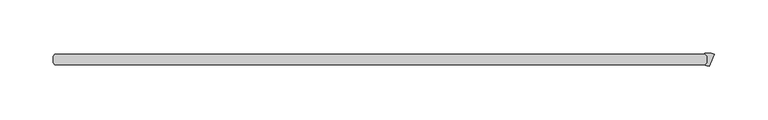
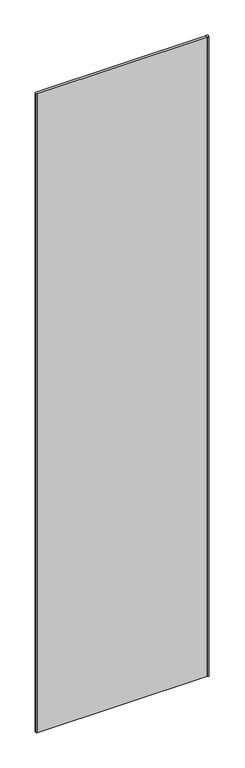
"""IFC4 building model written with IfcOpenShell, lengths in millimetres: plate geometry."""

from ifc_helpers import new_model, si_unit, point, frame_2d, origin, origin_with_axes, place, context, project, spatial, polyline, circle_curve, trimmed, segment, composite_curve, outline, extrude, source, transform, mapped, element, save


def plate_4bbd2fb0(model_context):
    return source(origin(), model_context, "Body", "SweptSolid", [
        extrude(outline(composite_curve([segment(polyline([(306.6725389, -25.1816625), (301.9435056, -36.5985587)]), True, "CONTINUOUS"), segment(trimmed(circle_curve(frame_2d((298.2456736, -43.938415)), 8.2187257), [point((301.9435056, -36.5985587))], [point((298.4129947, -35.7213927))], True, "CARTESIAN"), True, "CONTINUOUS"), segment(trimmed(circle_curve(frame_2d((298.4210745, -35.3246)), 0.396875), [point((298.4129947, -35.7213927))], [point((298.1404415, -35.0439669))], False, "CARTESIAN"), True, "CONTINUOUS"), segment(polyline([(298.1404415, -35.0439669), (299.8469084, -33.3375), (299.8469084, -26.9875), (297.7677007, -24.9082923)]), True, "CONTINUOUS"), segment(trimmed(circle_curve(frame_2d((298.0483337, -24.6276593)), 0.396875), [point((297.7677007, -24.9082923))], [point((297.9925665, -24.2347219))], False, "CARTESIAN"), True, "CONTINUOUS"), segment(trimmed(circle_curve(frame_2d((300.4755618, -41.7299885)), 17.6705863), [point((297.9925665, -24.2347219))], [point((306.6725389, -25.1816625))], False, "CARTESIAN"), True, "CONTINUOUS")], self_intersect=False)), origin_with_axes(), (0.0, 0.0, 1.0), 2428.7789267),
        extrude(outline(polyline([(298.2594084, -25.4), (299.8469084, -26.9875), (299.8469084, -33.3375), (298.2594084, -34.925), (-315.515625, -34.925), (-317.103125, -33.3375), (-317.103125, -26.9875), (-315.515625, -25.4), (298.2594084, -25.4)])), origin_with_axes(), (0.0, 0.0, 1.0), 2428.7789267),
    ])


if __name__ == "__main__":
    model = new_model("IFC4")
    model_context = context("Model", 3, world=origin())
    ifc_project = project(units=[si_unit("LENGTHUNIT", "METRE", prefix="MILLI")], contexts=[model_context])
    site = spatial("IfcSite", under=ifc_project)
    building = spatial("IfcBuilding", under=site)
    placement = place(None, origin())
    plate_shape = plate_4bbd2fb0(model_context)
    element("IfcPlate", 1, at=placement, inside=building, context=model_context, shape_type="MappedRepresentation", body=[
        mapped(plate_shape, transform((0.0, 0.0, 0.0), x_axis=(1.0, 0.0, 0.0), y_axis=(0.0, 1.0, 0.0), z_axis=(0.0, 0.0, 1.0))),
    ])
    save(model, "model.ifc")
